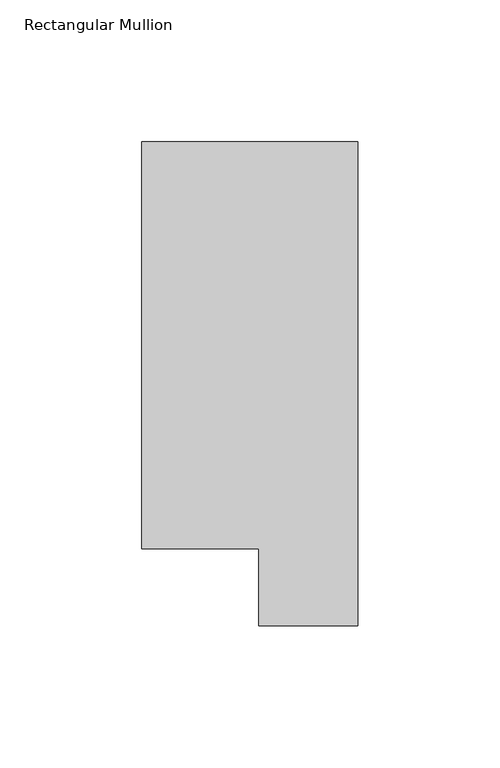
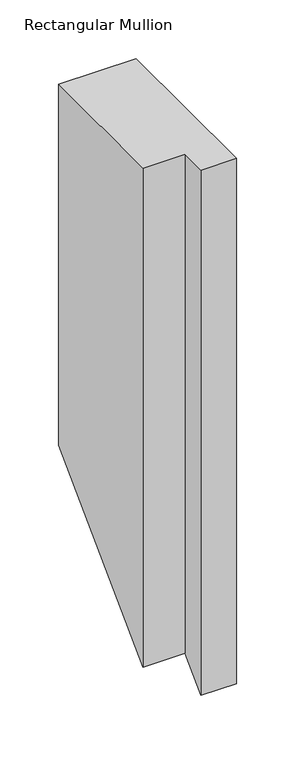
"""IFC4 building model written with IfcOpenShell, lengths in millimetres: member geometry, Rectangular Mullion."""

from ifc_helpers import new_model, si_unit, origin, place, context, project, spatial, faceted_brep, source, transform, mapped, element, save


def rectangular_mullion_7c03e5eb(model_context):
    return source(origin(), model_context, "Body", "Brep", [
        faceted_brep([(0.0, 190.2801312, 0.0), (-76.2, 190.2801312, 0.0), (-76.2, 46.7447302, 0.0), (-34.9123, 46.7447302, 0.0), (-34.9123, 19.5667312, 0.0), (0.0, 19.5667312, 0.0), (0.0, 190.2801312, -374.8698686), (-76.2, 190.2801312, -374.8698686), (-76.2, 46.7447302, -518.4052697), (-34.9123, 46.7447302, -518.4052697), (-34.9123, 19.5667312, -545.5832686), (0.0, 19.5667312, -545.5832686)], [[[0, 1, 2, 3, 4, 5]], [[1, 0, 6, 7]], [[2, 1, 7, 8]], [[3, 2, 8, 9]], [[4, 3, 9, 10]], [[5, 4, 10, 11]], [[0, 5, 11, 6]], [[6, 11, 10, 9, 8, 7]]]),
    ])


if __name__ == "__main__":
    model = new_model("IFC4")
    model_context = context("Model", 3, world=origin())
    ifc_project = project(units=[si_unit("LENGTHUNIT", "METRE", prefix="MILLI")], contexts=[model_context])
    site = spatial("IfcSite", under=ifc_project)
    building = spatial("IfcBuilding", under=site)
    placement = place(None, origin())
    rectangular_mullion_shape = rectangular_mullion_7c03e5eb(model_context)
    element("IfcMember", 1, ObjectType="Rectangular Mullion", at=placement, inside=building, context=model_context, shape_type="MappedRepresentation", body=[
        mapped(rectangular_mullion_shape, transform((0.0, 0.0, 0.0), x_axis=(1.0, 0.0, 0.0), y_axis=(0.0, 1.0, 0.0), z_axis=(0.0, 0.0, 1.0))),
    ])
    save(model, "model.ifc")
